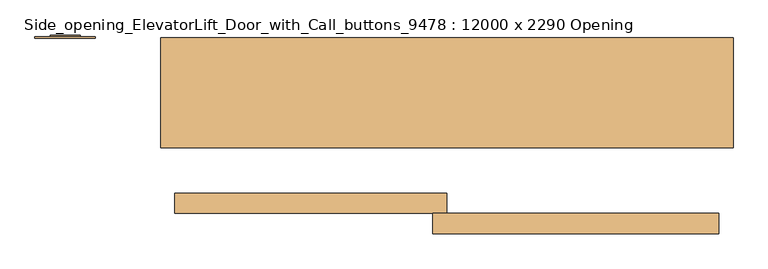
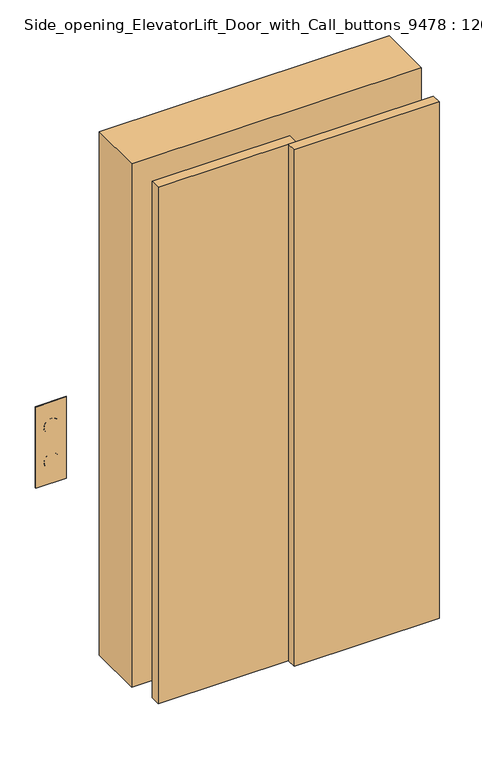
"""IFC4 building model written with IfcOpenShell, lengths in millimetres: door geometry, Side_opening_ElevatorLift_Door_with_Call_buttons_9478 : 12000 x 2290 Opening."""

from ifc_helpers import new_model, si_unit, point, frame, frame_2d, origin, origin_with_axes, place, context, project, spatial, polyline, circle_curve, trimmed, segment, composite_curve, outline, extrude, faceted_brep, source, transform, mapped, element, save
from ifc_brep_helpers import plane_surface, cylinder_surface, revolved_surface, advanced_brep


def side_opening_elevatorlift_door_with_call_buttons_9478_12000_d73c6931(model_context):
    return source(origin(), model_context, "Body", "SolidModel", [
        advanced_brep(
        [(-831.75, 153.9875, 1076.2), (-768.25, 153.9875, 1076.2), (-830.1625, 153.9875, 1076.2), (-769.8375, 153.9875, 1076.2), (-736.5, 147.6375, 1177.8), (-863.5, 147.6375, 1177.8), (-863.5, 147.6375, 822.2), (-736.5, 147.6375, 822.2), (-768.25, 150.8125, 1076.2), (-831.75, 150.8125, 1076.2), (-769.8375, 150.8125, 1076.2), (-830.1625, 150.8125, 1076.2), (-736.5, 150.8125, 1177.8), (-736.5, 150.8125, 822.2), (-863.5, 150.8125, 822.2), (-863.5, 150.8125, 1177.8), (-768.25, 150.8125, 923.8), (-831.75, 150.8125, 923.8), (-769.8375, 150.8125, 923.8), (-830.1625, 150.8125, 923.8), (-831.75, 153.9875, 923.8), (-768.25, 153.9875, 923.8), (-830.1625, 153.9875, 923.8), (-769.8375, 153.9875, 923.8)],
        [
            (0, 1, circle_curve(frame((-800.0, 153.9875, 1076.2), z_axis=(0.0, 1.0, 0.0), x_axis=(1.0, 0.0, 0.0)), 31.75)),
            (1, 0, circle_curve(frame((-800.0, 153.9875, 1076.2), z_axis=(0.0, 1.0, 0.0), x_axis=(1.0, 0.0, 0.0)), 31.75)),
            (2, 3, circle_curve(frame((-800.0, 153.9875, 1076.2), z_axis=(0.0, -1.0, 0.0), x_axis=(1.0, 0.0, 0.0)), 30.1625)),
            (3, 2, circle_curve(frame((-800.0, 153.9875, 1076.2), z_axis=(0.0, -1.0, 0.0), x_axis=(1.0, 0.0, 0.0)), 30.1625)),
            (4, 5),
            (5, 6),
            (6, 7),
            (7, 4),
            (1, 8),
            (8, 9, circle_curve(frame((-800.0, 150.8125, 1076.2), z_axis=(0.0, 1.0, 0.0), x_axis=(1.0, 0.0, 0.0)), 31.75)),
            (9, 0),
            (9, 8, circle_curve(frame((-800.0, 150.8125, 1076.2), z_axis=(0.0, 1.0, 0.0), x_axis=(1.0, 0.0, 0.0)), 31.75)),
            (3, 10),
            (10, 11, circle_curve(frame((-800.0, 150.8125, 1076.2), z_axis=(0.0, -1.0, 0.0), x_axis=(1.0, 0.0, 0.0)), 30.1625)),
            (11, 2),
            (11, 10, circle_curve(frame((-800.0, 150.8125, 1076.2), z_axis=(0.0, -1.0, 0.0), x_axis=(1.0, 0.0, 0.0)), 30.1625)),
            (12, 13),
            (13, 14),
            (14, 15),
            (15, 12),
            (16, 17, circle_curve(frame((-800.0, 150.8125, 923.8), z_axis=(0.0, -1.0, 0.0), x_axis=(1.0, 0.0, 0.0)), 31.75)),
            (17, 16, circle_curve(frame((-800.0, 150.8125, 923.8), z_axis=(0.0, -1.0, 0.0), x_axis=(1.0, 0.0, 0.0)), 31.75)),
            (18, 19, circle_curve(frame((-800.0, 150.8125, 923.8), z_axis=(0.0, 1.0, 0.0), x_axis=(1.0, 0.0, 0.0)), 30.1625)),
            (19, 18, circle_curve(frame((-800.0, 150.8125, 923.8), z_axis=(0.0, 1.0, 0.0), x_axis=(1.0, 0.0, 0.0)), 30.1625)),
            (15, 5),
            (4, 12),
            (14, 6),
            (13, 7),
            (20, 21, circle_curve(frame((-800.0, 153.9875, 923.8), z_axis=(0.0, 1.0, 0.0), x_axis=(1.0, 0.0, 0.0)), 31.75)),
            (21, 20, circle_curve(frame((-800.0, 153.9875, 923.8), z_axis=(0.0, 1.0, 0.0), x_axis=(1.0, 0.0, 0.0)), 31.75)),
            (22, 23, circle_curve(frame((-800.0, 153.9875, 923.8), z_axis=(0.0, -1.0, 0.0), x_axis=(1.0, 0.0, 0.0)), 30.1625)),
            (23, 22, circle_curve(frame((-800.0, 153.9875, 923.8), z_axis=(0.0, -1.0, 0.0), x_axis=(1.0, 0.0, 0.0)), 30.1625)),
            (21, 16),
            (17, 20),
            (23, 18),
            (19, 22),
        ],
        [
            plane_surface(frame((-768.25, 153.9875, 1076.2), z_axis=(0.0, 1.0, 0.0), x_axis=(0.0, 0.0, 1.0))),
            plane_surface(frame((-768.25, 147.6375, 1076.2), z_axis=(0.0, -1.0, 0.0), x_axis=(0.0, 0.0, -1.0))),
            cylinder_surface(frame((-800.0, 147.6375, 1076.2), z_axis=(0.0, 1.0, 0.0), x_axis=(1.0, 0.0, 0.0)), 31.75),
            revolved_surface(polyline([(-769.8375, 150.8125, 1076.2), (-769.8375, 153.9875, 1076.2)]), (-800.0, 147.6375, 1076.2), (0.0, -1.0, 0.0)),
            plane_surface(frame((-863.5, 150.8125, 1177.8), z_axis=(0.0, 1.0, 0.0), x_axis=(-1.0, 0.0, 0.0))),
            plane_surface(frame((-736.5, 150.8125, 1177.8), z_axis=(0.0, 0.0, 1.0), x_axis=(0.0, -1.0, 0.0))),
            plane_surface(frame((-863.5, 150.8125, 1177.8), z_axis=(-1.0, 0.0, 0.0), x_axis=(0.0, -1.0, 0.0))),
            plane_surface(frame((-863.5, 150.8125, 822.2), z_axis=(0.0, 0.0, -1.0), x_axis=(0.0, -1.0, 0.0))),
            plane_surface(frame((-736.5, 150.8125, 822.2), z_axis=(1.0, 0.0, 0.0), x_axis=(0.0, -1.0, 0.0))),
            plane_surface(frame((-768.25, 153.9875, 923.8), z_axis=(0.0, 1.0, 0.0), x_axis=(0.0, 0.0, 1.0))),
            cylinder_surface(frame((-800.0, 147.6375, 923.8), z_axis=(0.0, 1.0, 0.0), x_axis=(1.0, 0.0, 0.0)), 31.75),
            revolved_surface(polyline([(-769.8375, 150.8125, 923.8), (-769.8375, 153.9875, 923.8)]), (-800.0, 147.6375, 923.8), (0.0, -1.0, 0.0)),
        ],
        [
            (0, [[1, 2], [3, 4]]),
            (1, [[5, 6, 7, 8]]),
            (2, [[9, 10, 11, -2]]),
            (2, [[-11, 12, -9, -1]]),
            (3, [[13, 14, 15, -4]]),
            (3, [[-15, 16, -13, -3]]),
            (4, [[-16, -14]]),
            (4, [[17, 18, 19, 20], [-12, -10], [21, 22]]),
            (4, [[23, 24]]),
            (5, [[25, -5, 26, -20]]),
            (6, [[27, -6, -25, -19]]),
            (7, [[28, -7, -27, -18]]),
            (8, [[-26, -8, -28, -17]]),
            (9, [[29, 30], [31, 32]]),
            (10, [[33, -22, 34, -30]]),
            (10, [[-34, -21, -33, -29]]),
            (11, [[35, -24, 36, -32]]),
            (11, [[-36, -23, -35, -31]]),
        ],
    ),
        extrude(outline(composite_curve([segment(trimmed(circle_curve(frame_2d((1076.2, -800.0)), 30.1625), [point((1076.2, -830.1625))], [point((1076.2, -769.8375))], False, "CARTESIAN"), True, "CONTINUOUS"), segment(trimmed(circle_curve(frame_2d((1076.2, -800.0)), 30.1625), [point((1076.2, -769.8375))], [point((1076.2, -830.1625))], False, "CARTESIAN"), True, "CONTINUOUS")], self_intersect=False)), frame((0.0, 147.6375, 0.0), z_axis=(0.0, 1.0, 0.0), x_axis=(0.0, 0.0, 1.0)), (0.0, 0.0, 1.0), 4.7625),
        extrude(outline(composite_curve([segment(trimmed(circle_curve(frame_2d((923.8, -800.0)), 30.1625), [point((923.8, -830.1625))], [point((923.8, -769.8375))], False, "CARTESIAN"), True, "CONTINUOUS"), segment(trimmed(circle_curve(frame_2d((923.8, -800.0)), 30.1625), [point((923.8, -769.8375))], [point((923.8, -830.1625))], False, "CARTESIAN"), True, "CONTINUOUS")], self_intersect=False)), frame((0.0, 147.6375, 0.0), z_axis=(0.0, 1.0, 0.0), x_axis=(0.0, 0.0, 1.0)), (0.0, 0.0, 1.0), 4.7625),
        faceted_brep([(-600.0, 147.6375, 0.0), (-570.0, 147.6375, 0.0), (-570.0, -37.3625, 0.0), (-450.0, -37.3625, 0.0), (-450.0, -82.3625, 0.0), (-600.0, -82.3625, 0.0), (-600.0, -82.3625, 2290.0), (-600.0, 147.6375, 2290.0), (-450.0, -82.3625, 2140.0), (450.0, -82.3625, 2140.0), (450.0, -82.3625, 0.0), (600.0, -82.3625, 0.0), (600.0, -82.3625, 2290.0), (-450.0, -37.3625, 2140.0), (-570.0, -37.3625, 2260.0), (570.0, -37.3625, 2260.0), (570.0, -37.3625, 0.0), (450.0, -37.3625, 0.0), (450.0, -37.3625, 2140.0), (-570.0, 147.6375, 2260.0), (600.0, 147.6375, 2290.0), (600.0, 147.6375, 0.0), (570.0, 147.6375, 0.0), (570.0, 147.6375, 2260.0)], [[[0, 1, 2, 3, 4, 5]], [[5, 6, 7, 0]], [[4, 8, 9, 10, 11, 12, 6, 5]], [[3, 13, 8, 4]], [[2, 14, 15, 16, 17, 18, 13, 3]], [[1, 19, 14, 2]], [[0, 7, 20, 21, 22, 23, 19, 1]], [[12, 11, 21, 20]], [[21, 11, 10, 17, 16, 22]], [[18, 17, 10, 9]], [[23, 22, 16, 15]], [[6, 12, 20, 7]], [[13, 18, 9, 8]], [[19, 23, 15, 14]]]),
        extrude(outline(polyline([(570.0, -262.6375), (-30.0, -262.6375), (-30.0, -220.1375), (570.0, -220.1375), (570.0, -262.6375)])), origin_with_axes(), (0.0, 0.0, 1.0), 2260.0),
        extrude(outline(polyline([(0.0, -220.1375), (-570.0, -220.1375), (-570.0, -177.6375), (0.0, -177.6375), (0.0, -220.1375)])), origin_with_axes(), (0.0, 0.0, 1.0), 2260.0),
    ])


if __name__ == "__main__":
    model = new_model("IFC4")
    model_context = context("Model", 3, world=origin())
    ifc_project = project(units=[si_unit("LENGTHUNIT", "METRE", prefix="MILLI")], contexts=[model_context])
    site = spatial("IfcSite", under=ifc_project)
    building = spatial("IfcBuilding", under=site)
    placement = place(None, origin())
    side_opening_elevatorlift_door_with_call_buttons_9478_12000_shape = side_opening_elevatorlift_door_with_call_buttons_9478_12000_d73c6931(model_context)
    element("IfcDoor", 1, ObjectType="Side_opening_ElevatorLift_Door_with_Call_buttons_9478 : 12000 x 2290 Opening", at=placement, inside=building, context=model_context, shape_type="MappedRepresentation", body=[
        mapped(side_opening_elevatorlift_door_with_call_buttons_9478_12000_shape, transform((0.0, 0.0, 0.0), x_axis=(1.0, 0.0, 0.0), y_axis=(0.0, 1.0, 0.0), z_axis=(0.0, 0.0, 1.0))),
    ])
    save(model, "model.ifc")
